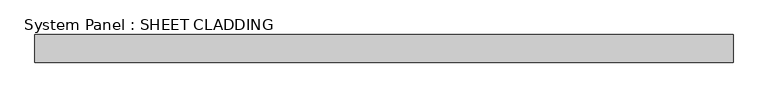
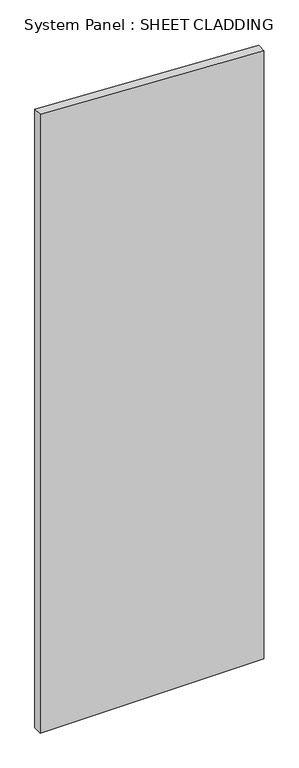
"""IFC4 building model written with IfcOpenShell, lengths in millimetres: plate geometry, System Panel : SHEET CLADDING."""

from ifc_helpers import new_model, si_unit, frame, origin, place, context, project, spatial, polyline, outline, extrude, source, transform, mapped, element, save


def system_panel_sheet_cladding_5b32db2a(model_context):
    return source(origin(), model_context, "Body", "SweptSolid", [
        extrude(outline(polyline([(0.0, -750.0), (0.0, 750.0), (4310.1, 750.0), (4385.1, -750.0), (0.0, -750.0)])), frame((0.0, -49.5, 0.0), z_axis=(0.0, 1.0, 0.0), x_axis=(0.0, 0.0, 1.0)), (0.0, 0.0, 1.0), 60.0),
    ])


if __name__ == "__main__":
    model = new_model("IFC4")
    model_context = context("Model", 3, world=origin())
    ifc_project = project(units=[si_unit("LENGTHUNIT", "METRE", prefix="MILLI")], contexts=[model_context])
    site = spatial("IfcSite", under=ifc_project)
    building = spatial("IfcBuilding", under=site)
    placement = place(None, origin())
    system_panel_sheet_cladding_shape = system_panel_sheet_cladding_5b32db2a(model_context)
    element("IfcPlate", 1, ObjectType="System Panel : SHEET CLADDING", at=placement, inside=building, context=model_context, shape_type="MappedRepresentation", body=[
        mapped(system_panel_sheet_cladding_shape, transform((0.0, 0.0, 0.0), x_axis=(1.0, 0.0, 0.0), y_axis=(0.0, 1.0, 0.0), z_axis=(0.0, 0.0, 1.0))),
    ])
    save(model, "model.ifc")
